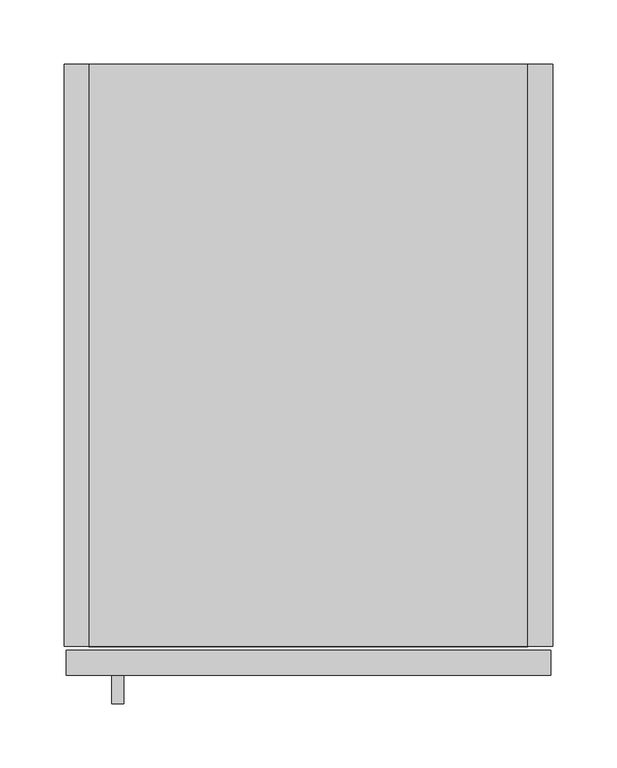
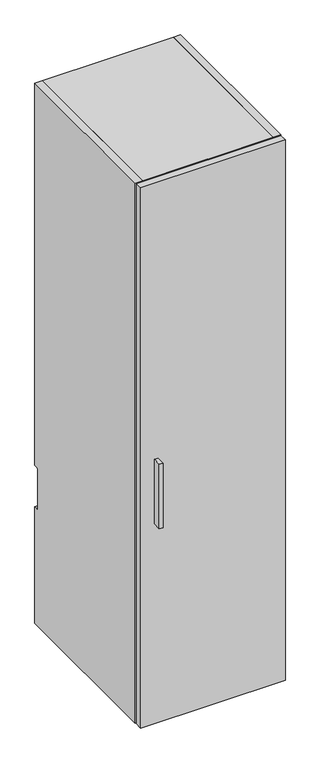
"""IFC4 building model written with IfcOpenShell, lengths in millimetres: furniture geometry."""

import ifcopenshell
import ifcopenshell.guid

model = None  # the IFC model being written
_history = None  # IfcOwnerHistory: only IFC2X3 demands one
_inside = {}  # id of a spatial element -> (the spatial element, [elements in it])
_under = {}  # id of a project, library or spatial element -> (it, [spatial elements below it])
_declared = {}  # id of a project -> (the project, [libraries it declares])
_typed = {}  # id of a type object -> (the type object, [elements of that type])
_made_of = {}  # id of a material, layer set ... -> (it, [elements and type objects made of it])


def new_model(schema):
    """Start an empty IFC model of exactly this schema.

    Asked for "IFC4X3", IfcOpenShell would pick the latest addendum, in which some entities
    have other attributes; the version numbers below select the first issue.
    IFC2X3 requires an IfcOwnerHistory on every rooted entity: one is made here for all.
    """
    global model, _history
    if schema == "IFC4X3":
        model = ifcopenshell.file(schema_version=(4, 3, 0, 0))
    else:
        model = ifcopenshell.file(schema=schema)
    _inside.clear()
    _under.clear()
    _declared.clear()
    _typed.clear()
    _made_of.clear()
    _history = None
    if model.schema == "IFC2X3":
        org = make("IfcOrganization", Name="unknown")
        user = make(
            "IfcPersonAndOrganization",
            ThePerson=make("IfcPerson", FamilyName="unknown"),
            TheOrganization=org,
        )
        app = make(
            "IfcApplication",
            ApplicationDeveloper=org,
            Version="unknown",
            ApplicationFullName="unknown",
            ApplicationIdentifier="unknown",
        )
        _history = make(
            "IfcOwnerHistory",
            OwningUser=user,
            OwningApplication=app,
            ChangeAction="ADDED",
            CreationDate=0,
        )
    return model


def make(cls, **values):
    """One entity of the class cls with the attributes given. An attribute that is None is left unset."""
    return model.create_entity(
        cls, **{name: value for name, value in values.items() if value is not None}
    )


def rooted(cls, **values):
    """An entity with a GlobalId (a new one), such as an element, a storey or a relation."""
    return make(cls, GlobalId=ifcopenshell.guid.new(), OwnerHistory=_history, **values)


def si_unit(unit_type, name, prefix=None):
    """IfcSIUnit, for example si_unit("LENGTHUNIT", "METRE", prefix="MILLI")."""
    return make("IfcSIUnit", UnitType=unit_type, Prefix=prefix, Name=name)


def assignment(units):
    """IfcUnitAssignment: the units of a project."""
    return None if units is None else make("IfcUnitAssignment", Units=units)


def point(xyz):
    """IfcCartesianPoint."""
    return None if xyz is None else make("IfcCartesianPoint", Coordinates=xyz)


def direction(xyz):
    """IfcDirection."""
    return None if xyz is None else make("IfcDirection", DirectionRatios=xyz)


def frame(location, z_axis=None, x_axis=None):
    """IfcAxis2Placement3D, a coordinate frame: its origin and axes. An axis left out is left unset."""
    return make(
        "IfcAxis2Placement3D",
        Location=point(location),
        Axis=direction(z_axis),
        RefDirection=direction(x_axis),
    )


def frame_2d(location, x_axis=None):
    """IfcAxis2Placement2D, a coordinate frame in the plane: its origin and x axis."""
    return make(
        "IfcAxis2Placement2D", Location=point(location), RefDirection=direction(x_axis)
    )


def origin():
    """The frame at (0, 0, 0) with its axes left unset."""
    return frame((0.0, 0.0, 0.0))


def place(relative_to, where):
    """IfcLocalPlacement: puts the frame where relative to a parent placement (None: the world)."""
    return make(
        "IfcLocalPlacement", PlacementRelTo=relative_to, RelativePlacement=where
    )


def context(
    kind, dimensions, precision=None, world=None, true_north=None, identifier=None
):
    """IfcGeometricRepresentationContext, for example the 3D "Model" context."""
    return make(
        "IfcGeometricRepresentationContext",
        ContextIdentifier=identifier,
        ContextType=kind,
        CoordinateSpaceDimension=dimensions,
        Precision=precision,
        WorldCoordinateSystem=world,
        TrueNorth=true_north,
    )


def project(units=None, contexts=None):
    """IfcProject with its units and contexts."""
    return rooted(
        "IfcProject",
        Name="project",
        RepresentationContexts=contexts,
        UnitsInContext=assignment(units),
    )


def spatial(cls, under=None, at=None, **own):
    """A site, building, storey or space (cls), placed at a placement, below another one or the project."""
    s = rooted(cls, ObjectPlacement=at, **own)
    if under is not None:
        _under.setdefault(under.id(), (under, []))[1].append(s)
    return s


def polyline(points):
    """IfcPolyline through the points."""
    return make("IfcPolyline", Points=[point(p) for p in points])


def circle_curve(where, radius):
    """IfcCircle in the frame where."""
    return make("IfcCircle", Position=where, Radius=radius)


def trimmed(basis, trim1, trim2, sense, master):
    """IfcTrimmedCurve: the piece of a basis curve between two trims."""
    return make(
        "IfcTrimmedCurve",
        BasisCurve=basis,
        Trim1=trim1,
        Trim2=trim2,
        SenseAgreement=sense,
        MasterRepresentation=master,
    )


def segment(curve, same_sense, transition):
    """IfcCompositeCurveSegment."""
    return make(
        "IfcCompositeCurveSegment",
        Transition=transition,
        SameSense=same_sense,
        ParentCurve=curve,
    )


def composite_curve(segments, self_intersect=None):
    """IfcCompositeCurve: segments joined end to end."""
    return make("IfcCompositeCurve", Segments=segments, SelfIntersect=self_intersect)


def outline(outer, holes=None, kind="AREA"):
    """IfcArbitraryClosedProfileDef: a profile drawn as a closed curve; with holes, ...WithVoids."""
    if holes is None:
        return make("IfcArbitraryClosedProfileDef", ProfileType=kind, OuterCurve=outer)
    return make(
        "IfcArbitraryProfileDefWithVoids",
        ProfileType=kind,
        OuterCurve=outer,
        InnerCurves=holes,
    )


def extrude(swept, where, along, depth):
    """IfcExtrudedAreaSolid: the profile swept, set in the frame where, extruded along a direction by depth."""
    return make(
        "IfcExtrudedAreaSolid",
        SweptArea=swept,
        Position=where,
        ExtrudedDirection=direction(along),
        Depth=depth,
    )


def shape(context_of_items, identifier, shape_type, items):
    """IfcShapeRepresentation: the items that make up one representation, for example the "Body"."""
    return make(
        "IfcShapeRepresentation",
        ContextOfItems=context_of_items,
        RepresentationIdentifier=identifier,
        RepresentationType=shape_type,
        Items=items,
    )


def source(mapping_origin, context_of_items, identifier, shape_type, items):
    """IfcRepresentationMap: a shape defined once, which mapped items show again and again."""
    return make(
        "IfcRepresentationMap",
        MappingOrigin=mapping_origin,
        MappedRepresentation=shape(context_of_items, identifier, shape_type, items),
    )


def transform(
    local_origin,
    x_axis=None,
    y_axis=None,
    z_axis=None,
    scale=None,
    scale2=None,
    scale3=None,
    uniform=True,
):
    """IfcCartesianTransformationOperator3D, or its non-uniform kind. x_axis, y_axis, z_axis: its Axis1, 2, 3."""
    if uniform:
        return make(
            "IfcCartesianTransformationOperator3D",
            Axis1=direction(x_axis),
            Axis2=direction(y_axis),
            LocalOrigin=point(local_origin),
            Scale=scale,
            Axis3=direction(z_axis),
        )
    return make(
        "IfcCartesianTransformationOperator3DnonUniform",
        Axis1=direction(x_axis),
        Axis2=direction(y_axis),
        LocalOrigin=point(local_origin),
        Scale=scale,
        Axis3=direction(z_axis),
        Scale2=scale2,
        Scale3=scale3,
    )


def mapped(mapping_source, mapping_target):
    """IfcMappedItem: shows the shape of a source again, moved by a transform."""
    return make(
        "IfcMappedItem", MappingSource=mapping_source, MappingTarget=mapping_target
    )


def made_of(thing, what):
    """Note that an element or type object is made of a material, layer set ...; save() writes the relation."""
    if what is not None:
        _made_of.setdefault(what.id(), (what, []))[1].append(thing)
    return thing


def element(
    cls,
    number,
    at=None,
    inside=None,
    cuts=None,
    type_object=None,
    material=None,
    context=None,
    identifier="Body",
    shape_type=None,
    held_by="IfcProductDefinitionShape",
    body=None,
    shapes=None,
    **own,
):
    """One element of the class cls, such as IfcWall. Its Tag is "e" and its number.

    at: its placement. inside: the storey or other place that contains it. cuts: it is an
    opening in that element (IfcRelVoidsElement). A single representation is given by context,
    identifier, shape_type and body (its items); several are given by shapes. held_by: the class
    of the entity that holds the representations. save() writes the other relations.
    """
    e = rooted(cls, Tag="e%d" % number, ObjectPlacement=at, **own)
    if body is not None:
        shapes = [shape(context, identifier, shape_type, body)]
    if shapes is not None:
        e.Representation = make(held_by, Representations=shapes)
    if inside is not None:
        _inside.setdefault(inside.id(), (inside, []))[1].append(e)
    if cuts is not None:
        rooted(
            "IfcRelVoidsElement", RelatingBuildingElement=cuts, RelatedOpeningElement=e
        )
    if type_object is not None:
        _typed.setdefault(type_object.id(), (type_object, []))[1].append(e)
    return made_of(e, material)


def aggregate(whole, parts):
    """IfcRelAggregates: a whole, such as a stair, and the parts it consists of."""
    return rooted("IfcRelAggregates", RelatingObject=whole, RelatedObjects=parts)


def save(model, path):
    """Write the relations noted so far, then the file.

    IfcRelAggregates (storeys below a building ...), IfcRelContainedInSpatialStructure (elements
    in a storey), IfcRelDefinesByType, IfcRelAssociatesMaterial and IfcRelDeclares: one each for
    every whole, place, type object, material and project.
    """
    for whole, parts in _under.values():
        aggregate(whole, parts)
    for where, things in _inside.values():
        rooted(
            "IfcRelContainedInSpatialStructure",
            RelatedElements=things,
            RelatingStructure=where,
        )
    for kind, things in _typed.values():
        rooted("IfcRelDefinesByType", RelatedObjects=things, RelatingType=kind)
    for what, things in _made_of.values():
        rooted("IfcRelAssociatesMaterial", RelatedObjects=things, RelatingMaterial=what)
    for by, libraries in _declared.values():
        rooted("IfcRelDeclares", RelatingContext=by, RelatedDefinitions=libraries)
    model.write(path)


def furniture_b8631645(model_context):
    return source(origin(), model_context, "Body", "SweptSolid", [
        extrude(outline(polyline([(46.6713631, -498.729), (37.1463631, -498.729), (37.1463631, -476.504), (46.6713631, -476.504), (46.6713631, -498.729)])), frame((0.0, 0.0, 927.1000121), z_axis=(0.0, 0.0, 1.0), x_axis=(1.0, 0.0, 0.0)), (0.0, 0.0, 1.0), 177.8),
        extrude(outline(polyline([(379.4125, -476.504), (1.5875, -476.504), (1.5875, -457.2), (379.4125, -457.2), (379.4125, -476.504)])), frame((0.0, 0.0, 376.428), z_axis=(0.0, 0.0, 1.0), x_axis=(1.0, 0.0, 0.0)), (0.0, 0.0, 1.0), 1490.472),
        extrude(outline(composite_curve([segment(polyline([(-454.025, 1866.9), (0.0, 1866.9), (0.0, 812.2919832), (-9.525, 812.2919832)]), True, "CONTINUOUS"), segment(trimmed(circle_curve(frame_2d((-9.525, 809.1169832)), 3.175), [point((-9.525, 812.2919832))], [point((-12.7, 809.1169832))], True, "CARTESIAN"), True, "CONTINUOUS"), segment(polyline([(-12.7, 809.1169832), (-12.7, 701.1669832)]), True, "CONTINUOUS"), segment(trimmed(circle_curve(frame_2d((-9.525, 701.1669832)), 3.175), [point((-12.7, 701.1669832))], [point((-9.525, 697.9919832))], True, "CARTESIAN"), True, "CONTINUOUS"), segment(polyline([(-9.525, 697.9919832), (0.0, 697.9919832), (0.0, 376.428), (-454.025, 376.428), (-454.025, 1866.9)]), True, "CONTINUOUS")], self_intersect=False)), frame((0.0, 0.0, 0.0), z_axis=(1.0, 0.0, 0.0), x_axis=(0.0, 1.0, 0.0)), (0.0, 0.0, 1.0), 19.304),
        extrude(outline(polyline([(381.0, 0.0), (381.0, -454.025), (361.696, -454.025), (361.696, 0.0), (381.0, 0.0)])), frame((0.0, 0.0, 376.428), z_axis=(0.0, 0.0, 1.0), x_axis=(1.0, 0.0, 0.0)), (0.0, 0.0, 1.0), 1490.472),
        extrude(outline(polyline([(361.696, -12.7), (361.696, -32.004), (19.304, -32.004), (19.304, -12.7), (361.696, -12.7)])), frame((0.0, 0.0, 376.4788), z_axis=(0.0, 0.0, 1.0), x_axis=(1.0, 0.0, 0.0)), (0.0, 0.0, 1.0), 1471.1172),
        extrude(outline(polyline([(361.696, -454.025), (19.304, -454.025), (19.304, -32.004), (361.696, -32.004), (361.696, -454.025)])), frame((0.0, 0.0, 376.428), z_axis=(0.0, 0.0, 1.0), x_axis=(1.0, 0.0, 0.0)), (0.0, 0.0, 1.0), 19.304),
        extrude(outline(polyline([(361.696, -454.025), (19.304, -454.025), (19.304, 0.0), (361.696, 0.0), (361.696, -454.025)])), frame((0.0, 0.0, 1847.596), z_axis=(0.0, 0.0, 1.0), x_axis=(1.0, 0.0, 0.0)), (0.0, 0.0, 1.0), 19.304),
        extrude(outline(polyline([(-0.762, 787.09199), (-12.7, 799.79199), (-12.7, 869.6960011), (-0.762, 869.6960011), (-0.762, 787.09199)])), frame((48.0059996, 0.0, 0.0), z_axis=(1.0, 0.0, 0.0), x_axis=(0.0, 1.0, 0.0)), (0.0, 0.0, 1.0), 284.9880007),
        extrude(outline(polyline([(-0.762, 1765.046), (-12.7, 1777.746), (-12.7, 1847.596), (-0.762, 1847.596), (-0.762, 1765.046)])), frame((48.0059996, 0.0, 0.0), z_axis=(1.0, 0.0, 0.0), x_axis=(0.0, 1.0, 0.0)), (0.0, 0.0, 1.0), 284.9880007),
    ])


if __name__ == "__main__":
    model = new_model("IFC4")
    model_context = context("Model", 3, world=origin())
    ifc_project = project(units=[si_unit("LENGTHUNIT", "METRE", prefix="MILLI")], contexts=[model_context])
    site = spatial("IfcSite", under=ifc_project)
    building = spatial("IfcBuilding", under=site)
    placement = place(None, origin())
    furniture_shape = furniture_b8631645(model_context)
    element("IfcFurniture", 1, at=placement, inside=building, context=model_context, shape_type="MappedRepresentation", body=[
        mapped(furniture_shape, transform((0.0, 0.0, 0.0), x_axis=(1.0, 0.0, 0.0), y_axis=(0.0, 1.0, 0.0), z_axis=(0.0, 0.0, 1.0))),
    ])
    save(model, "model.ifc")
